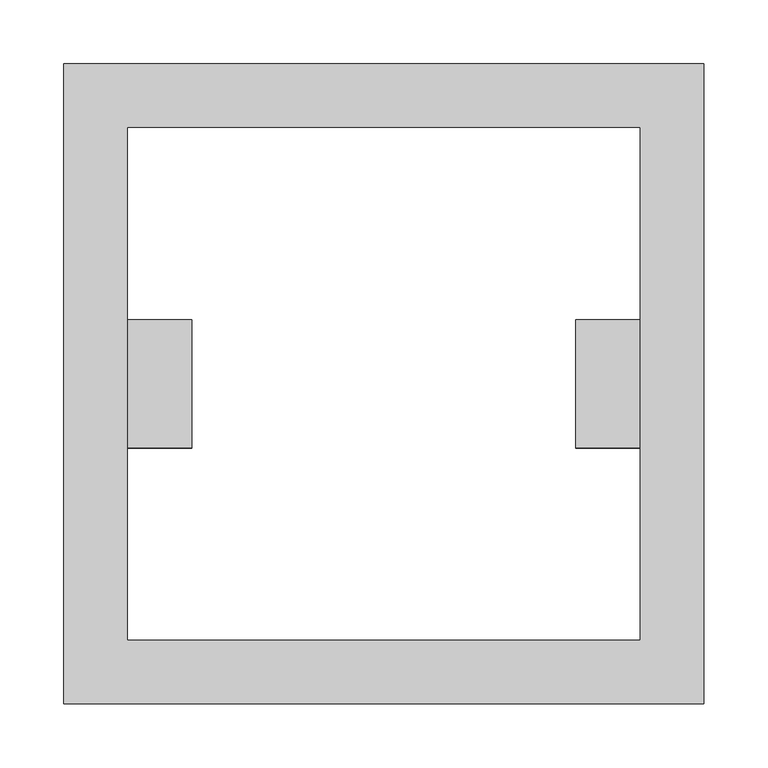
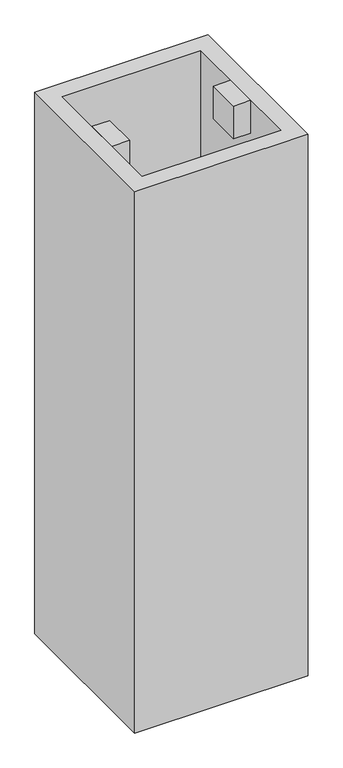
"""IFC4 building model written with IfcOpenShell, lengths in millimetres: proxy geometry."""

from ifc_helpers import new_model, si_unit, frame, origin, origin_with_axes, place, context, project, spatial, polyline, outline, extrude, source, transform, mapped, element, save


def generic_models_60743a9e(model_context):
    return source(origin(), model_context, "Body", "SweptSolid", [
        extrude(outline(polyline([(150.0, 50.0), (200.0, 50.0), (200.0, -50.0), (150.0, -50.0), (150.0, 50.0)])), frame((0.0, 0.0, 1033.7494293), z_axis=(0.0, 0.0, 1.0), x_axis=(1.0, 0.0, 0.0)), (0.0, 0.0, 1.0), 100.0),
        extrude(outline(polyline([(150.0, 50.0), (200.0, 50.0), (200.0, -50.0), (150.0, -50.0), (150.0, 50.0)])), frame((0.0, 0.0, 516.8747147), z_axis=(0.0, 0.0, 1.0), x_axis=(1.0, 0.0, 0.0)), (0.0, 0.0, 1.0), 100.0),
        extrude(outline(polyline([(150.0, 50.0), (200.0, 50.0), (200.0, -50.0), (150.0, -50.0), (150.0, 50.0)])), frame((0.0, 0.0, 1550.624144), z_axis=(0.0, 0.0, 1.0), x_axis=(1.0, 0.0, 0.0)), (0.0, 0.0, 1.0), 100.0),
        extrude(outline(polyline([(150.0, 50.0), (200.0, 50.0), (200.0, -50.0), (150.0, -50.0), (150.0, 50.0)])), origin_with_axes(), (0.0, 0.0, 1.0), 100.0),
        extrude(outline(polyline([(-150.0, 50.0), (-150.0, -50.0), (-200.0, -50.0), (-200.0, 50.0), (-150.0, 50.0)])), frame((0.0, 0.0, 1033.7494293), z_axis=(0.0, 0.0, 1.0), x_axis=(1.0, 0.0, 0.0)), (0.0, 0.0, 1.0), 100.0),
        extrude(outline(polyline([(-150.0, 50.0), (-150.0, -50.0), (-200.0, -50.0), (-200.0, 50.0), (-150.0, 50.0)])), frame((0.0, 0.0, 516.8747147), z_axis=(0.0, 0.0, 1.0), x_axis=(1.0, 0.0, 0.0)), (0.0, 0.0, 1.0), 100.0),
        extrude(outline(polyline([(-150.0, 50.0), (-150.0, -50.0), (-200.0, -50.0), (-200.0, 50.0), (-150.0, 50.0)])), frame((0.0, 0.0, 1550.624144), z_axis=(0.0, 0.0, 1.0), x_axis=(1.0, 0.0, 0.0)), (0.0, 0.0, 1.0), 100.0),
        extrude(outline(polyline([(-150.0, 50.0), (-150.0, -50.0), (-200.0, -50.0), (-200.0, 50.0), (-150.0, 50.0)])), origin_with_axes(), (0.0, 0.0, 1.0), 100.0),
        extrude(outline(polyline([(250.0, 250.0), (250.0, -250.0), (-250.0, -250.0), (-250.0, 250.0), (250.0, 250.0)]), holes=[polyline([(-200.0, -200.0), (200.0, -200.0), (200.0, 200.0), (-200.0, 200.0), (-200.0, -200.0)])]), origin_with_axes(), (0.0, 0.0, 1.0), 1650.624144),
    ])


if __name__ == "__main__":
    model = new_model("IFC4")
    model_context = context("Model", 3, world=origin())
    ifc_project = project(units=[si_unit("LENGTHUNIT", "METRE", prefix="MILLI")], contexts=[model_context])
    site = spatial("IfcSite", under=ifc_project)
    building = spatial("IfcBuilding", under=site)
    placement = place(None, origin())
    generic_models_shape = generic_models_60743a9e(model_context)
    element("IfcBuildingElementProxy", 1, Name="Generic Models", at=placement, inside=building, context=model_context, shape_type="MappedRepresentation", body=[
        mapped(generic_models_shape, transform((0.0, 0.0, 0.0), x_axis=(1.0, 0.0, 0.0), y_axis=(0.0, 1.0, 0.0), z_axis=(0.0, 0.0, 1.0))),
    ])
    save(model, "model.ifc")
